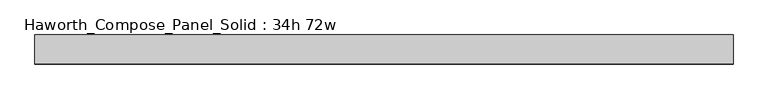
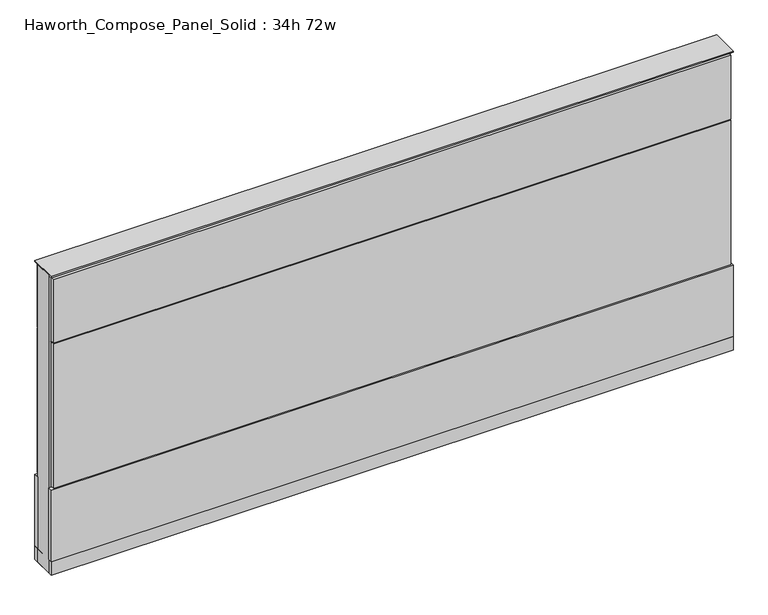
"""IFC4 building model written with IfcOpenShell, lengths in millimetres: furniture geometry, Haworth_Compose_Panel_Solid : 34h 72w."""

from ifc_helpers import new_model, si_unit, point, frame, frame_2d, origin, origin_with_axes, place, context, project, spatial, polyline, circle_curve, trimmed, segment, composite_curve, outline, extrude, source, transform, mapped, element, save


def haworth_compose_panel_solid_34h_72w_ad423921(model_context):
    return source(origin(), model_context, "Body", "SweptSolid", [
        extrude(outline(composite_curve([segment(trimmed(circle_curve(frame_2d((-835.7597098, 0.0)), 12.7), [point((-848.4597098, 0.0))], [point((-823.0597098, 0.0))], False, "CARTESIAN"), True, "CONTINUOUS"), segment(trimmed(circle_curve(frame_2d((-835.7597098, 0.0)), 12.7), [point((-823.0597098, 0.0))], [point((-848.4597098, 0.0))], False, "CARTESIAN"), True, "CONTINUOUS")], self_intersect=False)), origin_with_axes(), (0.0, 0.0, 1.0), 12.7),
        extrude(outline(composite_curve([segment(trimmed(circle_curve(frame_2d((840.6402902, 0.0)), 12.7), [point((827.9402902, 0.0))], [point((853.3402902, 0.0))], False, "CARTESIAN"), True, "CONTINUOUS"), segment(trimmed(circle_curve(frame_2d((840.6402902, 0.0)), 12.7), [point((853.3402902, 0.0))], [point((827.9402902, 0.0))], False, "CARTESIAN"), True, "CONTINUOUS")], self_intersect=False)), origin_with_axes(), (0.0, 0.0, 1.0), 12.7),
        extrude(outline(polyline([(910.4902902, -38.1), (-905.6097098, -38.1), (-905.6097098, -25.4), (910.4902902, -25.4), (910.4902902, -38.1)])), frame((0.0, 0.0, 669.925), z_axis=(0.0, 0.0, 1.0), x_axis=(1.0, 0.0, 0.0)), (0.0, 0.0, 1.0), 180.975),
        extrude(outline(polyline([(910.4902902, -38.1), (-905.6097098, -38.1), (-905.6097098, -25.4), (910.4902902, -25.4), (910.4902902, -38.1)])), frame((0.0, 0.0, 257.175), z_axis=(0.0, 0.0, 1.0), x_axis=(1.0, 0.0, 0.0)), (0.0, 0.0, 1.0), 409.575),
        extrude(outline(polyline([(916.8402902, -38.1), (-911.9597098, -38.1), (-911.9597098, -25.4), (916.8402902, -25.4), (916.8402902, -38.1)])), frame((0.0, 0.0, 50.8), z_axis=(0.0, 0.0, 1.0), x_axis=(1.0, 0.0, 0.0)), (0.0, 0.0, 1.0), 203.2),
        extrude(outline(polyline([(916.8402902, 38.1), (916.8402902, 25.4), (-911.9597098, 25.4), (-911.9597098, 38.1), (916.8402902, 38.1)])), frame((0.0, 0.0, 50.8), z_axis=(0.0, 0.0, 1.0), x_axis=(1.0, 0.0, 0.0)), (0.0, 0.0, 1.0), 203.2),
        extrude(outline(polyline([(910.4902902, 38.1), (910.4902902, 25.4), (-905.6097098, 25.4), (-905.6097098, 38.1), (910.4902902, 38.1)])), frame((0.0, 0.0, 669.925), z_axis=(0.0, 0.0, 1.0), x_axis=(1.0, 0.0, 0.0)), (0.0, 0.0, 1.0), 180.975),
        extrude(outline(polyline([(910.4902902, 38.1), (910.4902902, 25.4), (-905.6097098, 25.4), (-905.6097098, 38.1), (910.4902902, 38.1)])), frame((0.0, 0.0, 257.175), z_axis=(0.0, 0.0, 1.0), x_axis=(1.0, 0.0, 0.0)), (0.0, 0.0, 1.0), 409.575),
        extrude(outline(polyline([(916.8402902, -25.4), (-911.9597098, -25.4), (-911.9597098, 25.4), (916.8402902, 25.4), (916.8402902, -25.4)])), frame((0.0, 0.0, 12.7), z_axis=(0.0, 0.0, 1.0), x_axis=(1.0, 0.0, 0.0)), (0.0, 0.0, 1.0), 844.55),
        extrude(outline(polyline([(-911.9597098, 38.1), (916.8402902, 38.1), (916.8402902, -38.1), (-911.9597098, -38.1), (-911.9597098, 38.1)])), frame((0.0, 0.0, 12.7), z_axis=(0.0, 0.0, 1.0), x_axis=(1.0, 0.0, 0.0)), (0.0, 0.0, 1.0), 38.1),
        extrude(outline(polyline([(-911.9597098, 38.1), (916.8402902, 38.1), (916.8402902, -38.1), (-911.9597098, -38.1), (-911.9597098, 38.1)])), frame((0.0, 0.0, 857.25), z_axis=(0.0, 0.0, 1.0), x_axis=(1.0, 0.0, 0.0)), (0.0, 0.0, 1.0), 3.175),
    ])


if __name__ == "__main__":
    model = new_model("IFC4")
    model_context = context("Model", 3, world=origin())
    ifc_project = project(units=[si_unit("LENGTHUNIT", "METRE", prefix="MILLI")], contexts=[model_context])
    site = spatial("IfcSite", under=ifc_project)
    building = spatial("IfcBuilding", under=site)
    placement = place(None, origin())
    haworth_compose_panel_solid_34h_72w_shape = haworth_compose_panel_solid_34h_72w_ad423921(model_context)
    element("IfcFurniture", 1, ObjectType="Haworth_Compose_Panel_Solid : 34h 72w", at=placement, inside=building, context=model_context, shape_type="MappedRepresentation", body=[
        mapped(haworth_compose_panel_solid_34h_72w_shape, transform((0.0, 0.0, 0.0), x_axis=(1.0, 0.0, 0.0), y_axis=(0.0, 1.0, 0.0), z_axis=(0.0, 0.0, 1.0))),
    ])
    save(model, "model.ifc")
